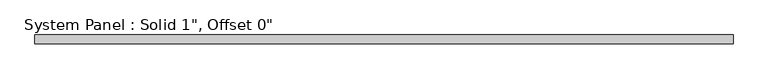
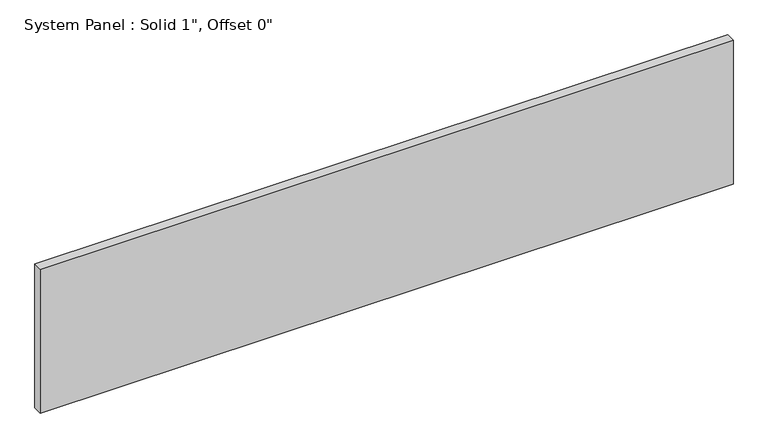
"""IFC4 building model written with IfcOpenShell, lengths in millimetres: plate geometry."""

import ifcopenshell
import ifcopenshell.guid

model = None  # the IFC model being written
_history = None  # IfcOwnerHistory: only IFC2X3 demands one
_inside = {}  # id of a spatial element -> (the spatial element, [elements in it])
_under = {}  # id of a project, library or spatial element -> (it, [spatial elements below it])
_declared = {}  # id of a project -> (the project, [libraries it declares])
_typed = {}  # id of a type object -> (the type object, [elements of that type])
_made_of = {}  # id of a material, layer set ... -> (it, [elements and type objects made of it])


def new_model(schema):
    """Start an empty IFC model of exactly this schema.

    Asked for "IFC4X3", IfcOpenShell would pick the latest addendum, in which some entities
    have other attributes; the version numbers below select the first issue.
    IFC2X3 requires an IfcOwnerHistory on every rooted entity: one is made here for all.
    """
    global model, _history
    if schema == "IFC4X3":
        model = ifcopenshell.file(schema_version=(4, 3, 0, 0))
    else:
        model = ifcopenshell.file(schema=schema)
    _inside.clear()
    _under.clear()
    _declared.clear()
    _typed.clear()
    _made_of.clear()
    _history = None
    if model.schema == "IFC2X3":
        org = make("IfcOrganization", Name="unknown")
        user = make(
            "IfcPersonAndOrganization",
            ThePerson=make("IfcPerson", FamilyName="unknown"),
            TheOrganization=org,
        )
        app = make(
            "IfcApplication",
            ApplicationDeveloper=org,
            Version="unknown",
            ApplicationFullName="unknown",
            ApplicationIdentifier="unknown",
        )
        _history = make(
            "IfcOwnerHistory",
            OwningUser=user,
            OwningApplication=app,
            ChangeAction="ADDED",
            CreationDate=0,
        )
    return model


def make(cls, **values):
    """One entity of the class cls with the attributes given. An attribute that is None is left unset."""
    return model.create_entity(
        cls, **{name: value for name, value in values.items() if value is not None}
    )


def rooted(cls, **values):
    """An entity with a GlobalId (a new one), such as an element, a storey or a relation."""
    return make(cls, GlobalId=ifcopenshell.guid.new(), OwnerHistory=_history, **values)


def si_unit(unit_type, name, prefix=None):
    """IfcSIUnit, for example si_unit("LENGTHUNIT", "METRE", prefix="MILLI")."""
    return make("IfcSIUnit", UnitType=unit_type, Prefix=prefix, Name=name)


def assignment(units):
    """IfcUnitAssignment: the units of a project."""
    return None if units is None else make("IfcUnitAssignment", Units=units)


def point(xyz):
    """IfcCartesianPoint."""
    return None if xyz is None else make("IfcCartesianPoint", Coordinates=xyz)


def direction(xyz):
    """IfcDirection."""
    return None if xyz is None else make("IfcDirection", DirectionRatios=xyz)


def frame(location, z_axis=None, x_axis=None):
    """IfcAxis2Placement3D, a coordinate frame: its origin and axes. An axis left out is left unset."""
    return make(
        "IfcAxis2Placement3D",
        Location=point(location),
        Axis=direction(z_axis),
        RefDirection=direction(x_axis),
    )


def origin():
    """The frame at (0, 0, 0) with its axes left unset."""
    return frame((0.0, 0.0, 0.0))


def origin_with_axes():
    """The frame at (0, 0, 0) with the z axis (0, 0, 1) and the x axis (1, 0, 0) written out."""
    return frame((0.0, 0.0, 0.0), z_axis=(0.0, 0.0, 1.0), x_axis=(1.0, 0.0, 0.0))


def place(relative_to, where):
    """IfcLocalPlacement: puts the frame where relative to a parent placement (None: the world)."""
    return make(
        "IfcLocalPlacement", PlacementRelTo=relative_to, RelativePlacement=where
    )


def context(
    kind, dimensions, precision=None, world=None, true_north=None, identifier=None
):
    """IfcGeometricRepresentationContext, for example the 3D "Model" context."""
    return make(
        "IfcGeometricRepresentationContext",
        ContextIdentifier=identifier,
        ContextType=kind,
        CoordinateSpaceDimension=dimensions,
        Precision=precision,
        WorldCoordinateSystem=world,
        TrueNorth=true_north,
    )


def project(units=None, contexts=None):
    """IfcProject with its units and contexts."""
    return rooted(
        "IfcProject",
        Name="project",
        RepresentationContexts=contexts,
        UnitsInContext=assignment(units),
    )


def spatial(cls, under=None, at=None, **own):
    """A site, building, storey or space (cls), placed at a placement, below another one or the project."""
    s = rooted(cls, ObjectPlacement=at, **own)
    if under is not None:
        _under.setdefault(under.id(), (under, []))[1].append(s)
    return s


def polyline(points):
    """IfcPolyline through the points."""
    return make("IfcPolyline", Points=[point(p) for p in points])


def outline(outer, holes=None, kind="AREA"):
    """IfcArbitraryClosedProfileDef: a profile drawn as a closed curve; with holes, ...WithVoids."""
    if holes is None:
        return make("IfcArbitraryClosedProfileDef", ProfileType=kind, OuterCurve=outer)
    return make(
        "IfcArbitraryProfileDefWithVoids",
        ProfileType=kind,
        OuterCurve=outer,
        InnerCurves=holes,
    )


def extrude(swept, where, along, depth):
    """IfcExtrudedAreaSolid: the profile swept, set in the frame where, extruded along a direction by depth."""
    return make(
        "IfcExtrudedAreaSolid",
        SweptArea=swept,
        Position=where,
        ExtrudedDirection=direction(along),
        Depth=depth,
    )


def shape(context_of_items, identifier, shape_type, items):
    """IfcShapeRepresentation: the items that make up one representation, for example the "Body"."""
    return make(
        "IfcShapeRepresentation",
        ContextOfItems=context_of_items,
        RepresentationIdentifier=identifier,
        RepresentationType=shape_type,
        Items=items,
    )


def source(mapping_origin, context_of_items, identifier, shape_type, items):
    """IfcRepresentationMap: a shape defined once, which mapped items show again and again."""
    return make(
        "IfcRepresentationMap",
        MappingOrigin=mapping_origin,
        MappedRepresentation=shape(context_of_items, identifier, shape_type, items),
    )


def transform(
    local_origin,
    x_axis=None,
    y_axis=None,
    z_axis=None,
    scale=None,
    scale2=None,
    scale3=None,
    uniform=True,
):
    """IfcCartesianTransformationOperator3D, or its non-uniform kind. x_axis, y_axis, z_axis: its Axis1, 2, 3."""
    if uniform:
        return make(
            "IfcCartesianTransformationOperator3D",
            Axis1=direction(x_axis),
            Axis2=direction(y_axis),
            LocalOrigin=point(local_origin),
            Scale=scale,
            Axis3=direction(z_axis),
        )
    return make(
        "IfcCartesianTransformationOperator3DnonUniform",
        Axis1=direction(x_axis),
        Axis2=direction(y_axis),
        LocalOrigin=point(local_origin),
        Scale=scale,
        Axis3=direction(z_axis),
        Scale2=scale2,
        Scale3=scale3,
    )


def mapped(mapping_source, mapping_target):
    """IfcMappedItem: shows the shape of a source again, moved by a transform."""
    return make(
        "IfcMappedItem", MappingSource=mapping_source, MappingTarget=mapping_target
    )


def made_of(thing, what):
    """Note that an element or type object is made of a material, layer set ...; save() writes the relation."""
    if what is not None:
        _made_of.setdefault(what.id(), (what, []))[1].append(thing)
    return thing


def element(
    cls,
    number,
    at=None,
    inside=None,
    cuts=None,
    type_object=None,
    material=None,
    context=None,
    identifier="Body",
    shape_type=None,
    held_by="IfcProductDefinitionShape",
    body=None,
    shapes=None,
    **own,
):
    """One element of the class cls, such as IfcWall. Its Tag is "e" and its number.

    at: its placement. inside: the storey or other place that contains it. cuts: it is an
    opening in that element (IfcRelVoidsElement). A single representation is given by context,
    identifier, shape_type and body (its items); several are given by shapes. held_by: the class
    of the entity that holds the representations. save() writes the other relations.
    """
    e = rooted(cls, Tag="e%d" % number, ObjectPlacement=at, **own)
    if body is not None:
        shapes = [shape(context, identifier, shape_type, body)]
    if shapes is not None:
        e.Representation = make(held_by, Representations=shapes)
    if inside is not None:
        _inside.setdefault(inside.id(), (inside, []))[1].append(e)
    if cuts is not None:
        rooted(
            "IfcRelVoidsElement", RelatingBuildingElement=cuts, RelatedOpeningElement=e
        )
    if type_object is not None:
        _typed.setdefault(type_object.id(), (type_object, []))[1].append(e)
    return made_of(e, material)


def aggregate(whole, parts):
    """IfcRelAggregates: a whole, such as a stair, and the parts it consists of."""
    return rooted("IfcRelAggregates", RelatingObject=whole, RelatedObjects=parts)


def save(model, path):
    """Write the relations noted so far, then the file.

    IfcRelAggregates (storeys below a building ...), IfcRelContainedInSpatialStructure (elements
    in a storey), IfcRelDefinesByType, IfcRelAssociatesMaterial and IfcRelDeclares: one each for
    every whole, place, type object, material and project.
    """
    for whole, parts in _under.values():
        aggregate(whole, parts)
    for where, things in _inside.values():
        rooted(
            "IfcRelContainedInSpatialStructure",
            RelatedElements=things,
            RelatingStructure=where,
        )
    for kind, things in _typed.values():
        rooted("IfcRelDefinesByType", RelatedObjects=things, RelatingType=kind)
    for what, things in _made_of.values():
        rooted("IfcRelAssociatesMaterial", RelatedObjects=things, RelatingMaterial=what)
    for by, libraries in _declared.values():
        rooted("IfcRelDeclares", RelatingContext=by, RelatedDefinitions=libraries)
    model.write(path)


def plate_f2772424(model_context):
    return source(origin(), model_context, "Body", "SweptSolid", [
        extrude(outline(polyline([(976.1660647, -12.7), (-976.1660647, -12.7), (-976.1660647, 12.7), (976.1660647, 12.7), (976.1660647, -12.7)])), origin_with_axes(), (0.0, 0.0, 1.0), 428.8386482),
    ])


if __name__ == "__main__":
    model = new_model("IFC4")
    model_context = context("Model", 3, world=origin())
    ifc_project = project(units=[si_unit("LENGTHUNIT", "METRE", prefix="MILLI")], contexts=[model_context])
    site = spatial("IfcSite", under=ifc_project)
    building = spatial("IfcBuilding", under=site)
    placement = place(None, origin())
    plate_shape = plate_f2772424(model_context)
    element("IfcPlate", 1, ObjectType="System Panel : Solid 1\", Offset 0\"", at=placement, inside=building, context=model_context, shape_type="MappedRepresentation", body=[
        mapped(plate_shape, transform((0.0, 0.0, 0.0), x_axis=(1.0, 0.0, 0.0), y_axis=(0.0, 1.0, 0.0), z_axis=(0.0, 0.0, 1.0))),
    ])
    save(model, "model.ifc")
